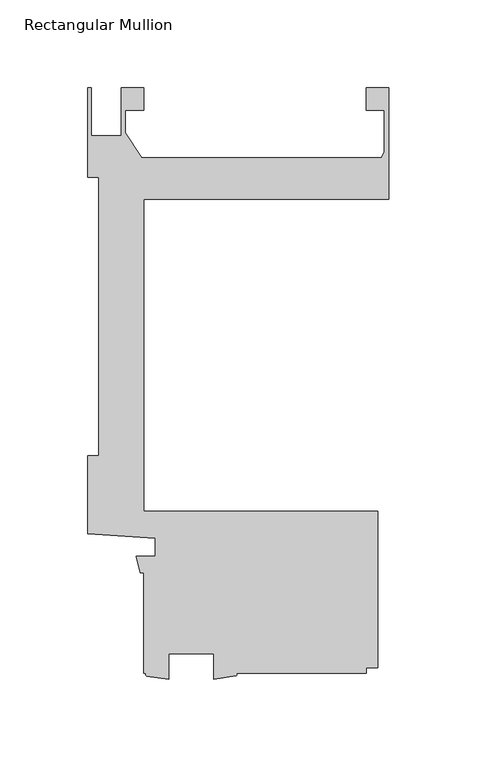
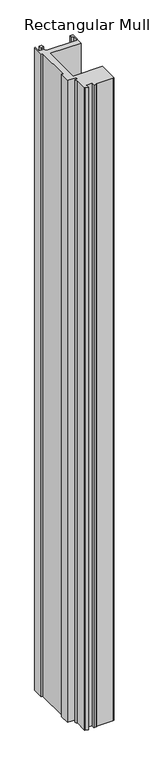
"""IFC4 building model written with IfcOpenShell, lengths in millimetres: member geometry, Rectangular Mullion."""

from ifc_helpers import new_model, si_unit, point, frame, frame_2d, origin, place, context, project, spatial, polyline, circle_curve, trimmed, segment, composite_curve, outline, extrude, source, transform, mapped, element, save


def rectangular_mullion_06593b2d(model_context):
    return source(origin(), model_context, "Body", "SweptSolid", [
        extrude(outline(composite_curve([segment(trimmed(circle_curve(frame_2d((-87.5255199, -86.5180751)), 0.9370533), [point((-87.0262183, -85.725127))], [point((-87.0262183, -87.3110233))], False, "CARTESIAN"), True, "CONTINUOUS"), segment(polyline([(-87.0262183, -87.3110233), (-99.7975059, -89.121127), (-99.7975059, -74.612627), (-125.1975059, -74.612627), (-125.1975059, -89.2446487), (-137.9705587, -87.3885314)]), True, "CONTINUOUS"), segment(trimmed(circle_curve(frame_2d((-137.4090469, -86.5568292)), 1.0035058), [point((-137.9705587, -87.3885314))], [point((-137.9705587, -85.725127))], False, "CARTESIAN"), True, "CONTINUOUS"), segment(polyline([(-137.9705587, -85.725127), (-139.7010309, -85.725127), (-139.7010309, -28.575), (-141.4322951, -28.575), (-143.8744778, -19.05), (-133.0838609, -19.05), (-133.0838609, -8.89), (-171.4510934, -6.2322928), (-171.4510934, 38.1), (-165.3364335, 38.1), (-165.3364335, 196.8499996), (-171.4499999, 196.8499996), (-171.4499999, 247.6499996), (-169.4179999, 247.6499996), (-169.4179999, 220.4901991), (-152.5173426, 220.4901991), (-152.5173426, 247.6499996), (-139.6770294, 247.6499996), (-139.6770294, 234.9754), (-149.9773426, 234.9754), (-149.9773426, 221.9445453), (-140.6789127, 207.9497996), (-4.3676768, 207.9497996)]), True, "CONTINUOUS"), segment(trimmed(circle_curve(frame_2d((-8.89, 212.4075)), 6.35), [point((-4.3676768, 207.9497996))], [point((-2.54, 212.4075))], True, "CARTESIAN"), True, "CONTINUOUS"), segment(polyline([(-2.54, 212.4075), (-2.54, 234.9754), (-12.720056, 234.9754), (-12.720056, 247.6754), (0.0, 247.6754), (0.0, 184.15), (-139.7010309, 184.15), (-139.7010309, 6.35), (-6.3510934, 6.35), (-6.3510934, -82.549973), (-12.7010309, -82.549973), (-12.7010309, -85.725127), (-87.0262183, -85.725127)]), True, "CONTINUOUS")], self_intersect=False)), frame((0.0, 0.0, -3048.0), z_axis=(0.0, 0.0, 1.0), x_axis=(1.0, 0.0, 0.0)), (0.0, 0.0, 1.0), 3048.0),
    ])


if __name__ == "__main__":
    model = new_model("IFC4")
    model_context = context("Model", 3, world=origin())
    ifc_project = project(units=[si_unit("LENGTHUNIT", "METRE", prefix="MILLI")], contexts=[model_context])
    site = spatial("IfcSite", under=ifc_project)
    building = spatial("IfcBuilding", under=site)
    placement = place(None, origin())
    rectangular_mullion_shape = rectangular_mullion_06593b2d(model_context)
    element("IfcMember", 1, ObjectType="Rectangular Mullion", at=placement, inside=building, context=model_context, shape_type="MappedRepresentation", body=[
        mapped(rectangular_mullion_shape, transform((0.0, 0.0, 0.0), x_axis=(1.0, 0.0, 0.0), y_axis=(0.0, 1.0, 0.0), z_axis=(0.0, 0.0, 1.0))),
    ])
    save(model, "model.ifc")
